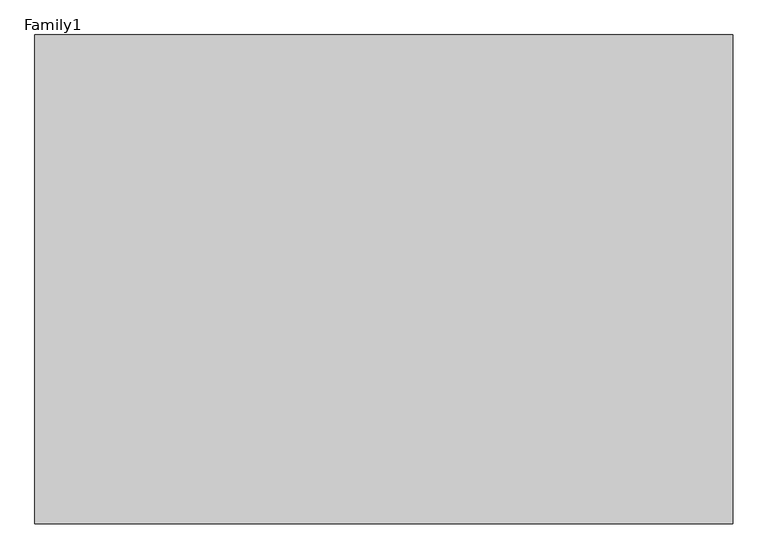
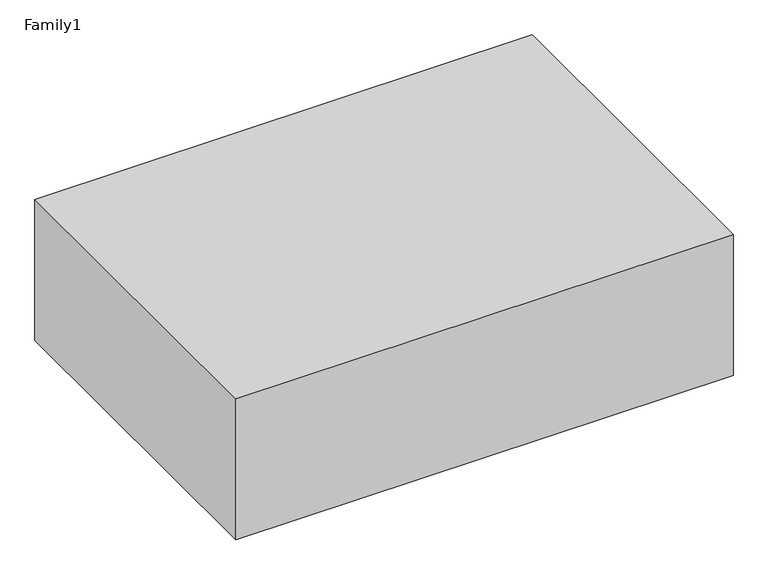
"""IFC4 building model written with IfcOpenShell, lengths in millimetres: proxy geometry, Family1."""

from ifc_helpers import new_model, si_unit, frame, origin, place, context, project, spatial, polyline, outline, extrude, source, transform, mapped, element, save


def family1_1ac50c88(model_context):
    return source(origin(), model_context, "Body", "SweptSolid", [
        extrude(outline(polyline([(1000.0, 0.0), (0.0, 0.0), (0.0, 700.0), (1000.0, 700.0), (1000.0, 0.0)])), frame((0.0, 0.0, 28500.0), z_axis=(0.0, 0.0, 1.0), x_axis=(1.0, 0.0, 0.0)), (0.0, 0.0, 1.0), 300.0),
    ])


if __name__ == "__main__":
    model = new_model("IFC4")
    model_context = context("Model", 3, world=origin())
    ifc_project = project(units=[si_unit("LENGTHUNIT", "METRE", prefix="MILLI")], contexts=[model_context])
    site = spatial("IfcSite", under=ifc_project)
    building = spatial("IfcBuilding", under=site)
    placement = place(None, origin())
    family1_shape = family1_1ac50c88(model_context)
    element("IfcBuildingElementProxy", 1, Name="Family1", ObjectType="Family1", at=placement, inside=building, context=model_context, shape_type="MappedRepresentation", body=[
        mapped(family1_shape, transform((0.0, 0.0, 0.0), x_axis=(1.0, 0.0, 0.0), y_axis=(0.0, 1.0, 0.0), z_axis=(0.0, 0.0, 1.0))),
    ])
    save(model, "model.ifc")
